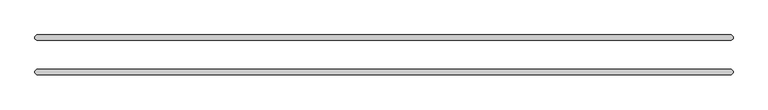
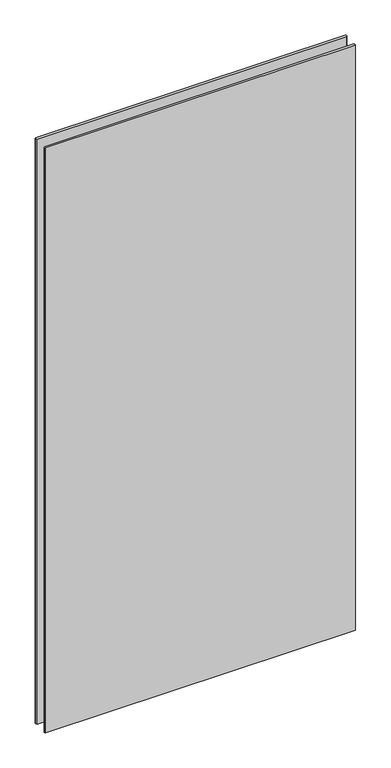
"""IFC4 building model written with IfcOpenShell, lengths in millimetres: plate geometry."""

from ifc_helpers import new_model, si_unit, origin, origin_with_axes, place, context, project, spatial, polyline, outline, extrude, source, transform, mapped, element, save


def plate_28ad9520(model_context):
    return source(origin(), model_context, "Body", "SweptSolid", [
        extrude(outline(polyline([(608.0125, -34.925), (-608.0125, -34.925), (-611.1875, -31.75), (-611.1875, -28.575), (-608.0125, -25.4), (608.0125, -25.4), (611.1875, -28.575), (611.1875, -31.75), (608.0125, -34.925)])), origin_with_axes(), (0.0, 0.0, 1.0), 2428.7789267),
        extrude(outline(polyline([(608.0125, 25.4), (-608.0125, 25.4), (-611.1875, 28.575), (-611.1875, 31.75), (-608.0125, 34.925), (608.0125, 34.925), (611.1875, 31.75), (611.1875, 28.575), (608.0125, 25.4)])), origin_with_axes(), (0.0, 0.0, 1.0), 2428.7789267),
    ])


if __name__ == "__main__":
    model = new_model("IFC4")
    model_context = context("Model", 3, world=origin())
    ifc_project = project(units=[si_unit("LENGTHUNIT", "METRE", prefix="MILLI")], contexts=[model_context])
    site = spatial("IfcSite", under=ifc_project)
    building = spatial("IfcBuilding", under=site)
    placement = place(None, origin())
    plate_shape = plate_28ad9520(model_context)
    element("IfcPlate", 1, at=placement, inside=building, context=model_context, shape_type="MappedRepresentation", body=[
        mapped(plate_shape, transform((0.0, 0.0, 0.0), x_axis=(1.0, 0.0, 0.0), y_axis=(0.0, 1.0, 0.0), z_axis=(0.0, 0.0, 1.0))),
    ])
    save(model, "model.ifc")
